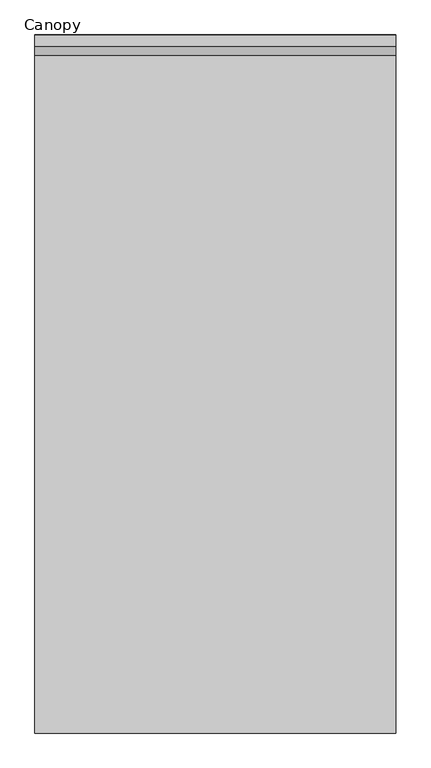
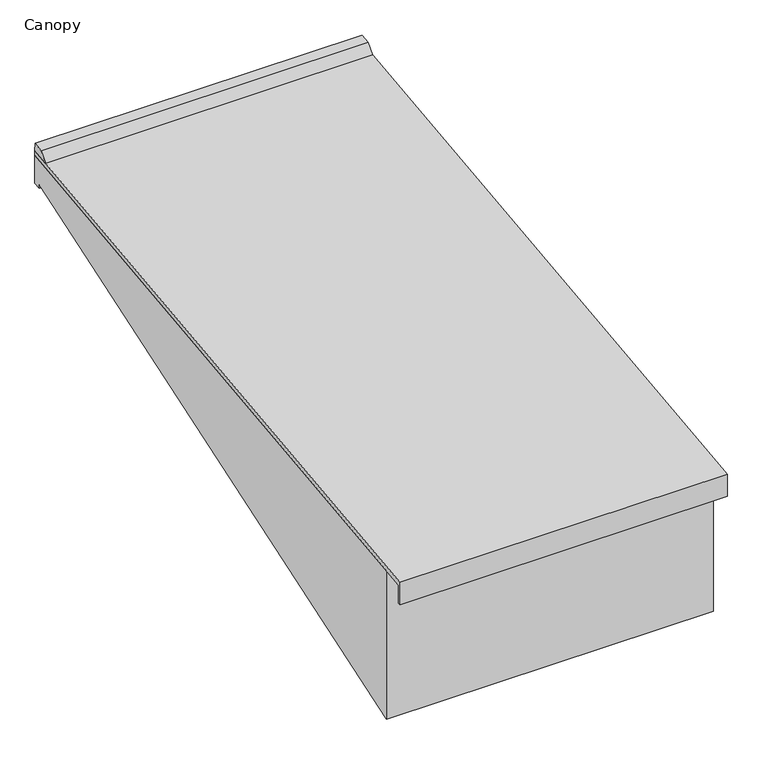
"""IFC4 building model written with IfcOpenShell, lengths in millimetres: proxy geometry, Canopy."""

from ifc_helpers import new_model, si_unit, frame, origin, place, context, project, spatial, polyline, outline, extrude, source, transform, mapped, element, save


def canopy_6fc8bac0(model_context):
    return source(origin(), model_context, "Body", "SweptSolid", [
        extrude(outline(polyline([(2992.4375, 3465.4132812), (2903.8993521, 3455.2682851), (2940.1563087, 3497.7720264), (2990.7495361, 3503.569167), (2992.4375, 3465.4132812)])), frame((-4267.2, 0.0, 0.0), z_axis=(1.0, 0.0, 0.0), x_axis=(0.0, 1.0, 0.0)), (0.0, 0.0, 1.0), 1574.8),
        extrude(outline(polyline([(-55.5625, 3116.1632813), (2992.4375, 3465.4132813), (2992.4375, 3442.7432533), (-42.8625, 3094.9484617), (-42.8625, 3003.55), (-55.5625, 3003.55), (-55.5625, 3116.1632813)])), frame((-4267.2, 0.0, 0.0), z_axis=(1.0, 0.0, 0.0), x_axis=(0.0, 1.0, 0.0)), (0.0, 0.0, 1.0), 1574.8),
        extrude(outline(polyline([(58.7375, 3106.5901283), (2992.4375, 3442.7432533), (2992.4375, 3298.6776283), (2954.3375, 3298.6776283), (2954.3375, 3314.7), (58.7375, 2349.5), (58.7375, 3106.5901283)])), frame((-4267.2, 0.0, 0.0), z_axis=(1.0, 0.0, 0.0), x_axis=(0.0, 1.0, 0.0)), (0.0, 0.0, 1.0), 1574.8),
    ])


if __name__ == "__main__":
    model = new_model("IFC4")
    model_context = context("Model", 3, world=origin())
    ifc_project = project(units=[si_unit("LENGTHUNIT", "METRE", prefix="MILLI")], contexts=[model_context])
    site = spatial("IfcSite", under=ifc_project)
    building = spatial("IfcBuilding", under=site)
    placement = place(None, origin())
    canopy_shape = canopy_6fc8bac0(model_context)
    element("IfcBuildingElementProxy", 1, Name="Canopy", ObjectType="Canopy", at=placement, inside=building, context=model_context, shape_type="MappedRepresentation", body=[
        mapped(canopy_shape, transform((0.0, 0.0, 0.0), x_axis=(1.0, 0.0, 0.0), y_axis=(0.0, 1.0, 0.0), z_axis=(0.0, 0.0, 1.0))),
    ])
    save(model, "model.ifc")
